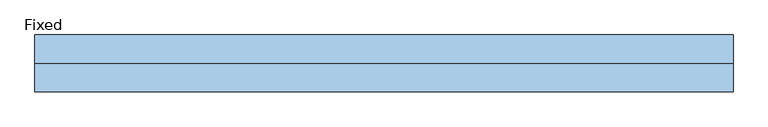
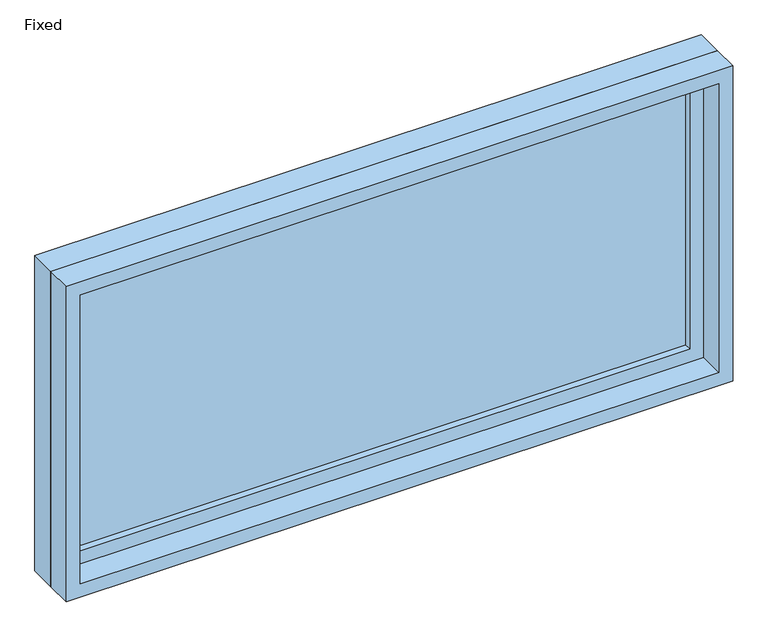
"""IFC4 building model written with IfcOpenShell, lengths in millimetres: window geometry, Fixed."""

from ifc_helpers import new_model, si_unit, frame, origin, place, context, project, spatial, polyline, outline, extrude, source, transform, mapped, element, save


def fixed_880d4178(model_context):
    return source(origin(), model_context, "Body", "SweptSolid", [
        extrude(outline(polyline([(660.4, 14.2875), (-736.6, 14.2875), (-736.6, 26.9875), (660.4, 26.9875), (660.4, 14.2875)])), frame((0.0, 0.0, 1130.3), z_axis=(0.0, 0.0, 1.0), x_axis=(1.0, 0.0, 0.0)), (0.0, 0.0, 1.0), 635.0),
        extrude(outline(polyline([(1809.75, -781.05), (1085.85, -781.05), (1085.85, 704.85), (1809.75, 704.85), (1809.75, -781.05)]), holes=[polyline([(1765.3, -736.6), (1765.3, 660.4), (1130.3, 660.4), (1130.3, -736.6), (1765.3, -736.6)])]), frame((0.0, -1.5875, 0.0), z_axis=(0.0, 1.0, 0.0), x_axis=(0.0, 0.0, 1.0)), (0.0, 0.0, 1.0), 44.45),
        extrude(outline(polyline([(1828.8, -800.1), (1066.8, -800.1), (1066.8, 723.9), (1828.8, 723.9), (1828.8, -800.1)]), holes=[polyline([(1797.05, -768.35), (1797.05, 692.15), (1098.55, 692.15), (1098.55, -768.35), (1797.05, -768.35)])]), frame((0.0, -61.9125, 0.0), z_axis=(0.0, 1.0, 0.0), x_axis=(0.0, 0.0, 1.0)), (0.0, 0.0, 1.0), 60.325),
        extrude(outline(polyline([(1828.8, 723.9), (1828.8, -800.1), (1066.8, -800.1), (1066.8, 723.9), (1828.8, 723.9)]), holes=[polyline([(1809.75, 704.85), (1085.85, 704.85), (1085.85, -781.05), (1809.75, -781.05), (1809.75, 704.85)])]), frame((0.0, -1.5875, 0.0), z_axis=(0.0, 1.0, 0.0), x_axis=(0.0, 0.0, 1.0)), (0.0, 0.0, 1.0), 63.5),
    ])


if __name__ == "__main__":
    model = new_model("IFC4")
    model_context = context("Model", 3, world=origin())
    ifc_project = project(units=[si_unit("LENGTHUNIT", "METRE", prefix="MILLI")], contexts=[model_context])
    site = spatial("IfcSite", under=ifc_project)
    building = spatial("IfcBuilding", under=site)
    placement = place(None, origin())
    fixed_shape = fixed_880d4178(model_context)
    element("IfcWindow", 1, ObjectType="Fixed", at=placement, inside=building, context=model_context, shape_type="MappedRepresentation", body=[
        mapped(fixed_shape, transform((0.0, 0.0, 0.0), x_axis=(1.0, 0.0, 0.0), y_axis=(0.0, 1.0, 0.0), z_axis=(0.0, 0.0, 1.0))),
    ])
    save(model, "model.ifc")
